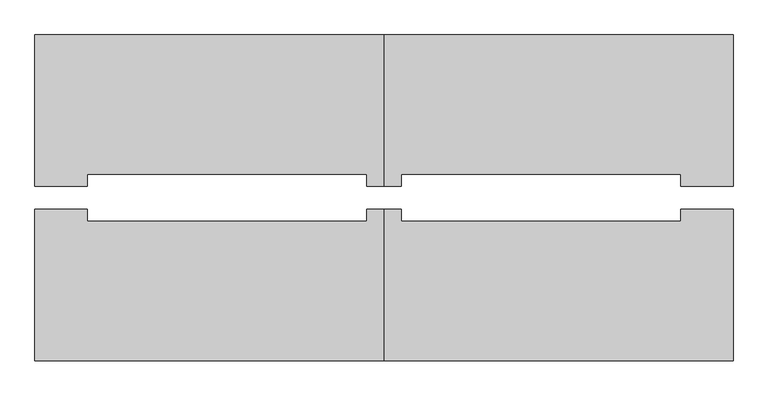
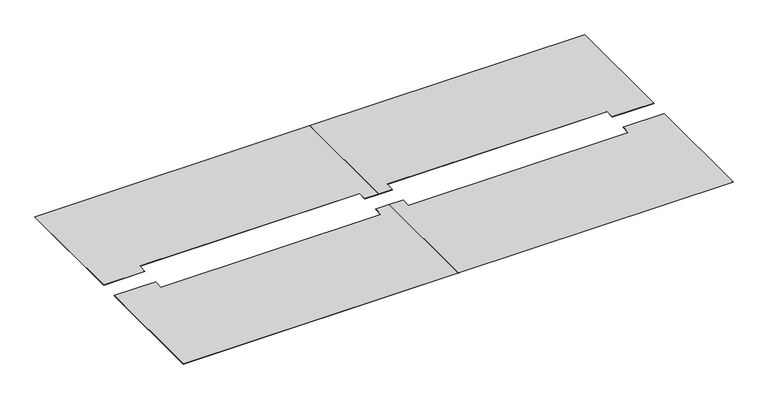
"""IFC4 building model written with IfcOpenShell, lengths in millimetres: furniture geometry."""

from ifc_helpers import new_model, si_unit, frame, origin, place, context, project, spatial, polyline, outline, extrude, source, transform, mapped, element, save


def furniture_ef9766fb(model_context):
    return source(origin(), model_context, "Body", "SweptSolid", [
        extrude(outline(polyline([(12898.602247, 8935.2740629), (11374.602247, 8935.2740629), (11374.602247, 9595.6740629), (11450.802247, 9595.6740629), (11450.802247, 9543.6960683), (12670.002247, 9543.6960683), (12670.002247, 9595.6740629), (12898.602247, 9595.6740629), (12898.602247, 8935.2740629)])), frame((0.0, 0.0, 736.6), z_axis=(0.0, 0.0, 1.0), x_axis=(1.0, 0.0, 0.0)), (0.0, 0.0, 1.0), 1.462791),
        extrude(outline(polyline([(9850.602247, 8935.2740629), (9850.602247, 9595.6740629), (10079.202247, 9595.6740629), (10079.202247, 9543.6960683), (11298.402247, 9543.6960683), (11298.402247, 9595.6740629), (11374.602247, 9595.6740629), (11374.602247, 8935.2740629), (9850.602247, 8935.2740629)])), frame((0.0, 0.0, 736.6), z_axis=(0.0, 0.0, 1.0), x_axis=(1.0, 0.0, 0.0)), (0.0, 0.0, 1.0), 1.462791),
        extrude(outline(polyline([(12898.602247, 10357.6740629), (12898.602247, 9697.2740629), (12670.002247, 9697.2740629), (12670.002247, 9749.2520575), (11450.802247, 9749.2520575), (11450.802247, 9697.2740629), (11374.602247, 9697.2740629), (11374.602247, 10357.6740629), (12898.602247, 10357.6740629)])), frame((0.0, 0.0, 736.6), z_axis=(0.0, 0.0, 1.0), x_axis=(1.0, 0.0, 0.0)), (0.0, 0.0, 1.0), 1.462791),
        extrude(outline(polyline([(9850.602247, 10357.6740629), (11374.602247, 10357.6740629), (11374.602247, 9697.2740629), (11298.402247, 9697.2740629), (11298.402247, 9749.2520575), (10079.202247, 9749.2520575), (10079.202247, 9697.2740629), (9850.602247, 9697.2740629), (9850.602247, 10357.6740629)])), frame((0.0, 0.0, 736.6), z_axis=(0.0, 0.0, 1.0), x_axis=(1.0, 0.0, 0.0)), (0.0, 0.0, 1.0), 1.462791),
    ])


if __name__ == "__main__":
    model = new_model("IFC4")
    model_context = context("Model", 3, world=origin())
    ifc_project = project(units=[si_unit("LENGTHUNIT", "METRE", prefix="MILLI")], contexts=[model_context])
    site = spatial("IfcSite", under=ifc_project)
    building = spatial("IfcBuilding", under=site)
    placement = place(None, origin())
    furniture_shape = furniture_ef9766fb(model_context)
    element("IfcFurniture", 1, at=placement, inside=building, context=model_context, shape_type="MappedRepresentation", body=[
        mapped(furniture_shape, transform((0.0, 0.0, 0.0), x_axis=(1.0, 0.0, 0.0), y_axis=(0.0, 1.0, 0.0), z_axis=(0.0, 0.0, 1.0))),
    ])
    save(model, "model.ifc")
